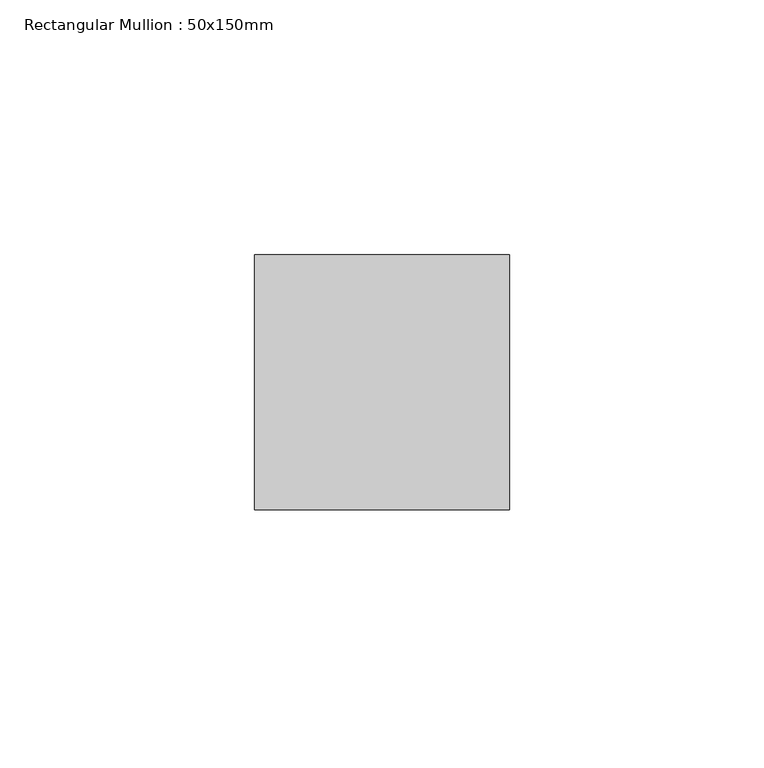
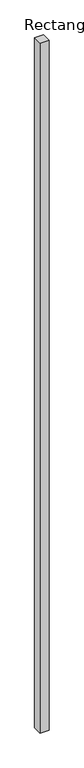
"""IFC4 building model written with IfcOpenShell, lengths in millimetres: member geometry, Rectangular Mullion : 50x150mm."""

from ifc_helpers import new_model, si_unit, frame, origin, place, context, project, spatial, polyline, outline, extrude, source, transform, mapped, element, save


def rectangular_mullion_50x150mm_6330551a(model_context):
    return source(origin(), model_context, "Body", "SweptSolid", [
        extrude(outline(polyline([(0.0, 25.0), (0.0, -25.0), (-50.0, -25.0), (-50.0, 25.0), (0.0, 25.0)])), frame((0.0, 0.0, -4050.0), z_axis=(0.0, 0.0, 1.0), x_axis=(1.0, 0.0, 0.0)), (0.0, 0.0, 1.0), 4050.0),
    ])


if __name__ == "__main__":
    model = new_model("IFC4")
    model_context = context("Model", 3, world=origin())
    ifc_project = project(units=[si_unit("LENGTHUNIT", "METRE", prefix="MILLI")], contexts=[model_context])
    site = spatial("IfcSite", under=ifc_project)
    building = spatial("IfcBuilding", under=site)
    placement = place(None, origin())
    rectangular_mullion_50x150mm_shape = rectangular_mullion_50x150mm_6330551a(model_context)
    element("IfcMember", 1, ObjectType="Rectangular Mullion : 50x150mm", at=placement, inside=building, context=model_context, shape_type="MappedRepresentation", body=[
        mapped(rectangular_mullion_50x150mm_shape, transform((0.0, 0.0, 0.0), x_axis=(1.0, 0.0, 0.0), y_axis=(0.0, 1.0, 0.0), z_axis=(0.0, 0.0, 1.0))),
    ])
    save(model, "model.ifc")
